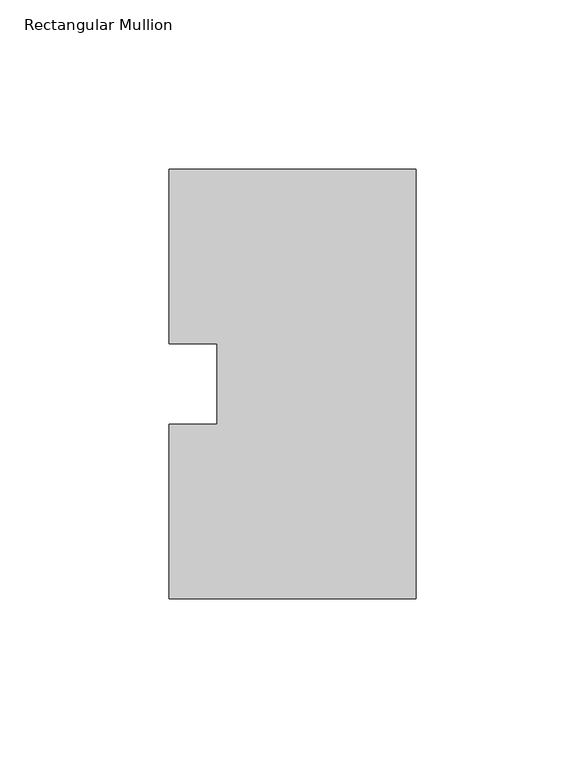
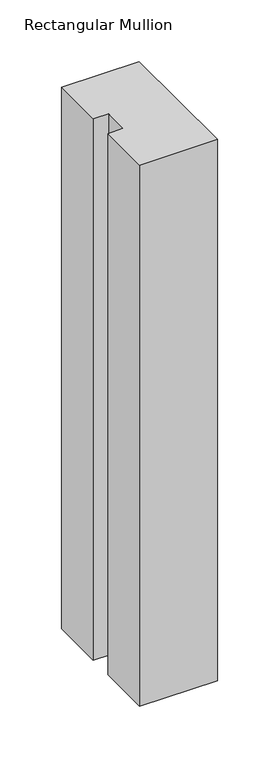
"""IFC4 building model written with IfcOpenShell, lengths in millimetres: member geometry, Rectangular Mullion."""

from ifc_helpers import new_model, si_unit, frame, origin, place, context, project, spatial, polyline, outline, extrude, source, transform, mapped, element, save


def rectangular_mullion_bcc80da8(model_context):
    return source(origin(), model_context, "Body", "SweptSolid", [
        extrude(outline(polyline([(0.0, 127.00635), (0.0, 0.00635), (-73.025, 0.00635), (-73.025, 51.60645), (-58.7375, 51.60645), (-58.7375, 75.40625), (-73.025, 75.40625), (-73.025, 127.00635), (0.0, 127.00635)])), frame((0.0, 0.0, -536.575), z_axis=(0.0, 0.0, 1.0), x_axis=(1.0, 0.0, 0.0)), (0.0, 0.0, 1.0), 536.575),
    ])


if __name__ == "__main__":
    model = new_model("IFC4")
    model_context = context("Model", 3, world=origin())
    ifc_project = project(units=[si_unit("LENGTHUNIT", "METRE", prefix="MILLI")], contexts=[model_context])
    site = spatial("IfcSite", under=ifc_project)
    building = spatial("IfcBuilding", under=site)
    placement = place(None, origin())
    rectangular_mullion_shape = rectangular_mullion_bcc80da8(model_context)
    element("IfcMember", 1, ObjectType="Rectangular Mullion", at=placement, inside=building, context=model_context, shape_type="MappedRepresentation", body=[
        mapped(rectangular_mullion_shape, transform((0.0, 0.0, 0.0), x_axis=(1.0, 0.0, 0.0), y_axis=(0.0, 1.0, 0.0), z_axis=(0.0, 0.0, 1.0))),
    ])
    save(model, "model.ifc")
